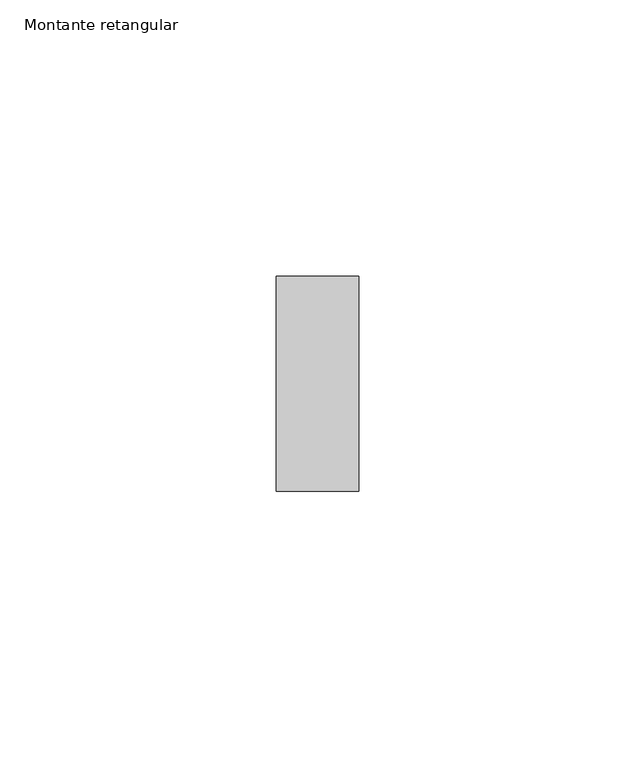
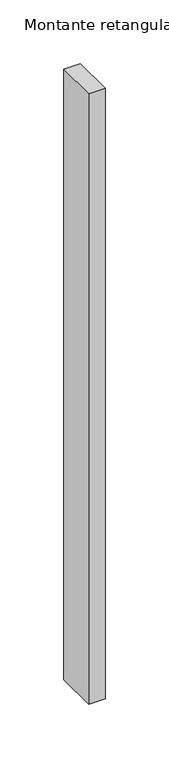
"""IFC4 building model written with IfcOpenShell, lengths in millimetres: member geometry, Montante retangular."""

from ifc_helpers import new_model, si_unit, frame, origin, place, context, project, spatial, polyline, outline, extrude, source, transform, mapped, element, save


def montante_retangular_26c8360e(model_context):
    return source(origin(), model_context, "Body", "SweptSolid", [
        extrude(outline(polyline([(7.5, 0.0), (7.5, -39.0), (-7.5, -39.0), (-7.5, 0.0), (7.5, 0.0)])), frame((0.0, 0.0, -585.0), z_axis=(0.0, 0.0, 1.0), x_axis=(1.0, 0.0, 0.0)), (0.0, 0.0, 1.0), 585.0),
    ])


if __name__ == "__main__":
    model = new_model("IFC4")
    model_context = context("Model", 3, world=origin())
    ifc_project = project(units=[si_unit("LENGTHUNIT", "METRE", prefix="MILLI")], contexts=[model_context])
    site = spatial("IfcSite", under=ifc_project)
    building = spatial("IfcBuilding", under=site)
    placement = place(None, origin())
    montante_retangular_shape = montante_retangular_26c8360e(model_context)
    element("IfcMember", 1, ObjectType="Montante retangular", at=placement, inside=building, context=model_context, shape_type="MappedRepresentation", body=[
        mapped(montante_retangular_shape, transform((0.0, 0.0, 0.0), x_axis=(1.0, 0.0, 0.0), y_axis=(0.0, 1.0, 0.0), z_axis=(0.0, 0.0, 1.0))),
    ])
    save(model, "model.ifc")
